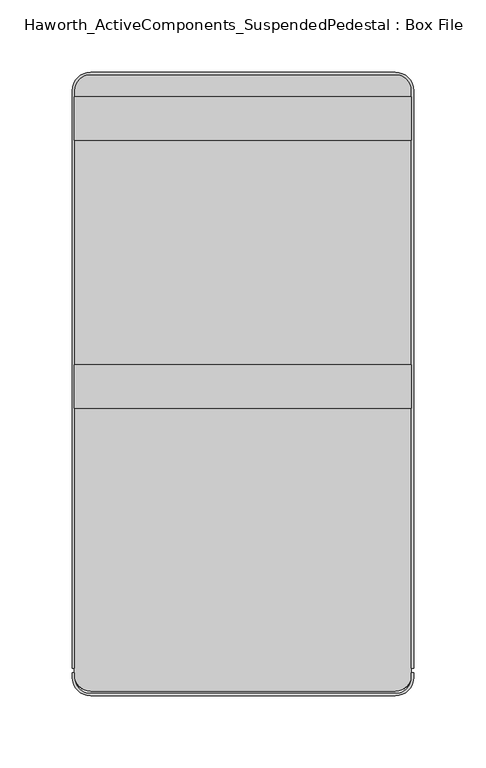
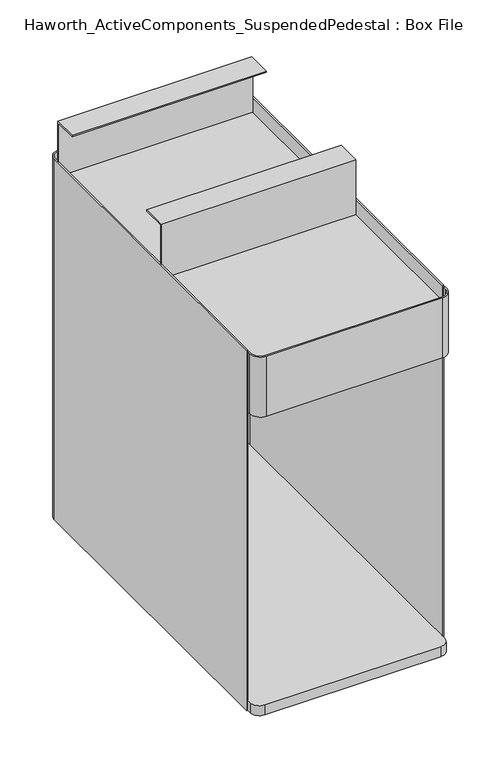
"""IFC4 building model written with IfcOpenShell, lengths in millimetres: furniture geometry, Haworth_ActiveComponents_SuspendedPedestal : Box File."""

import ifcopenshell
import ifcopenshell.guid

model = None  # the IFC model being written
_history = None  # IfcOwnerHistory: only IFC2X3 demands one
_inside = {}  # id of a spatial element -> (the spatial element, [elements in it])
_under = {}  # id of a project, library or spatial element -> (it, [spatial elements below it])
_declared = {}  # id of a project -> (the project, [libraries it declares])
_typed = {}  # id of a type object -> (the type object, [elements of that type])
_made_of = {}  # id of a material, layer set ... -> (it, [elements and type objects made of it])


def new_model(schema):
    """Start an empty IFC model of exactly this schema.

    Asked for "IFC4X3", IfcOpenShell would pick the latest addendum, in which some entities
    have other attributes; the version numbers below select the first issue.
    IFC2X3 requires an IfcOwnerHistory on every rooted entity: one is made here for all.
    """
    global model, _history
    if schema == "IFC4X3":
        model = ifcopenshell.file(schema_version=(4, 3, 0, 0))
    else:
        model = ifcopenshell.file(schema=schema)
    _inside.clear()
    _under.clear()
    _declared.clear()
    _typed.clear()
    _made_of.clear()
    _history = None
    if model.schema == "IFC2X3":
        org = make("IfcOrganization", Name="unknown")
        user = make(
            "IfcPersonAndOrganization",
            ThePerson=make("IfcPerson", FamilyName="unknown"),
            TheOrganization=org,
        )
        app = make(
            "IfcApplication",
            ApplicationDeveloper=org,
            Version="unknown",
            ApplicationFullName="unknown",
            ApplicationIdentifier="unknown",
        )
        _history = make(
            "IfcOwnerHistory",
            OwningUser=user,
            OwningApplication=app,
            ChangeAction="ADDED",
            CreationDate=0,
        )
    return model


def make(cls, **values):
    """One entity of the class cls with the attributes given. An attribute that is None is left unset."""
    return model.create_entity(
        cls, **{name: value for name, value in values.items() if value is not None}
    )


def rooted(cls, **values):
    """An entity with a GlobalId (a new one), such as an element, a storey or a relation."""
    return make(cls, GlobalId=ifcopenshell.guid.new(), OwnerHistory=_history, **values)


def si_unit(unit_type, name, prefix=None):
    """IfcSIUnit, for example si_unit("LENGTHUNIT", "METRE", prefix="MILLI")."""
    return make("IfcSIUnit", UnitType=unit_type, Prefix=prefix, Name=name)


def assignment(units):
    """IfcUnitAssignment: the units of a project."""
    return None if units is None else make("IfcUnitAssignment", Units=units)


def point(xyz):
    """IfcCartesianPoint."""
    return None if xyz is None else make("IfcCartesianPoint", Coordinates=xyz)


def direction(xyz):
    """IfcDirection."""
    return None if xyz is None else make("IfcDirection", DirectionRatios=xyz)


def frame(location, z_axis=None, x_axis=None):
    """IfcAxis2Placement3D, a coordinate frame: its origin and axes. An axis left out is left unset."""
    return make(
        "IfcAxis2Placement3D",
        Location=point(location),
        Axis=direction(z_axis),
        RefDirection=direction(x_axis),
    )


def frame_2d(location, x_axis=None):
    """IfcAxis2Placement2D, a coordinate frame in the plane: its origin and x axis."""
    return make(
        "IfcAxis2Placement2D", Location=point(location), RefDirection=direction(x_axis)
    )


def origin():
    """The frame at (0, 0, 0) with its axes left unset."""
    return frame((0.0, 0.0, 0.0))


def place(relative_to, where):
    """IfcLocalPlacement: puts the frame where relative to a parent placement (None: the world)."""
    return make(
        "IfcLocalPlacement", PlacementRelTo=relative_to, RelativePlacement=where
    )


def context(
    kind, dimensions, precision=None, world=None, true_north=None, identifier=None
):
    """IfcGeometricRepresentationContext, for example the 3D "Model" context."""
    return make(
        "IfcGeometricRepresentationContext",
        ContextIdentifier=identifier,
        ContextType=kind,
        CoordinateSpaceDimension=dimensions,
        Precision=precision,
        WorldCoordinateSystem=world,
        TrueNorth=true_north,
    )


def project(units=None, contexts=None):
    """IfcProject with its units and contexts."""
    return rooted(
        "IfcProject",
        Name="project",
        RepresentationContexts=contexts,
        UnitsInContext=assignment(units),
    )


def spatial(cls, under=None, at=None, **own):
    """A site, building, storey or space (cls), placed at a placement, below another one or the project."""
    s = rooted(cls, ObjectPlacement=at, **own)
    if under is not None:
        _under.setdefault(under.id(), (under, []))[1].append(s)
    return s


def polyline(points):
    """IfcPolyline through the points."""
    return make("IfcPolyline", Points=[point(p) for p in points])


def circle_curve(where, radius):
    """IfcCircle in the frame where."""
    return make("IfcCircle", Position=where, Radius=radius)


def trimmed(basis, trim1, trim2, sense, master):
    """IfcTrimmedCurve: the piece of a basis curve between two trims."""
    return make(
        "IfcTrimmedCurve",
        BasisCurve=basis,
        Trim1=trim1,
        Trim2=trim2,
        SenseAgreement=sense,
        MasterRepresentation=master,
    )


def segment(curve, same_sense, transition):
    """IfcCompositeCurveSegment."""
    return make(
        "IfcCompositeCurveSegment",
        Transition=transition,
        SameSense=same_sense,
        ParentCurve=curve,
    )


def composite_curve(segments, self_intersect=None):
    """IfcCompositeCurve: segments joined end to end."""
    return make("IfcCompositeCurve", Segments=segments, SelfIntersect=self_intersect)


def outline(outer, holes=None, kind="AREA"):
    """IfcArbitraryClosedProfileDef: a profile drawn as a closed curve; with holes, ...WithVoids."""
    if holes is None:
        return make("IfcArbitraryClosedProfileDef", ProfileType=kind, OuterCurve=outer)
    return make(
        "IfcArbitraryProfileDefWithVoids",
        ProfileType=kind,
        OuterCurve=outer,
        InnerCurves=holes,
    )


def extrude(swept, where, along, depth):
    """IfcExtrudedAreaSolid: the profile swept, set in the frame where, extruded along a direction by depth."""
    return make(
        "IfcExtrudedAreaSolid",
        SweptArea=swept,
        Position=where,
        ExtrudedDirection=direction(along),
        Depth=depth,
    )


def shape(context_of_items, identifier, shape_type, items):
    """IfcShapeRepresentation: the items that make up one representation, for example the "Body"."""
    return make(
        "IfcShapeRepresentation",
        ContextOfItems=context_of_items,
        RepresentationIdentifier=identifier,
        RepresentationType=shape_type,
        Items=items,
    )


def source(mapping_origin, context_of_items, identifier, shape_type, items):
    """IfcRepresentationMap: a shape defined once, which mapped items show again and again."""
    return make(
        "IfcRepresentationMap",
        MappingOrigin=mapping_origin,
        MappedRepresentation=shape(context_of_items, identifier, shape_type, items),
    )


def transform(
    local_origin,
    x_axis=None,
    y_axis=None,
    z_axis=None,
    scale=None,
    scale2=None,
    scale3=None,
    uniform=True,
):
    """IfcCartesianTransformationOperator3D, or its non-uniform kind. x_axis, y_axis, z_axis: its Axis1, 2, 3."""
    if uniform:
        return make(
            "IfcCartesianTransformationOperator3D",
            Axis1=direction(x_axis),
            Axis2=direction(y_axis),
            LocalOrigin=point(local_origin),
            Scale=scale,
            Axis3=direction(z_axis),
        )
    return make(
        "IfcCartesianTransformationOperator3DnonUniform",
        Axis1=direction(x_axis),
        Axis2=direction(y_axis),
        LocalOrigin=point(local_origin),
        Scale=scale,
        Axis3=direction(z_axis),
        Scale2=scale2,
        Scale3=scale3,
    )


def mapped(mapping_source, mapping_target):
    """IfcMappedItem: shows the shape of a source again, moved by a transform."""
    return make(
        "IfcMappedItem", MappingSource=mapping_source, MappingTarget=mapping_target
    )


def made_of(thing, what):
    """Note that an element or type object is made of a material, layer set ...; save() writes the relation."""
    if what is not None:
        _made_of.setdefault(what.id(), (what, []))[1].append(thing)
    return thing


def element(
    cls,
    number,
    at=None,
    inside=None,
    cuts=None,
    type_object=None,
    material=None,
    context=None,
    identifier="Body",
    shape_type=None,
    held_by="IfcProductDefinitionShape",
    body=None,
    shapes=None,
    **own,
):
    """One element of the class cls, such as IfcWall. Its Tag is "e" and its number.

    at: its placement. inside: the storey or other place that contains it. cuts: it is an
    opening in that element (IfcRelVoidsElement). A single representation is given by context,
    identifier, shape_type and body (its items); several are given by shapes. held_by: the class
    of the entity that holds the representations. save() writes the other relations.
    """
    e = rooted(cls, Tag="e%d" % number, ObjectPlacement=at, **own)
    if body is not None:
        shapes = [shape(context, identifier, shape_type, body)]
    if shapes is not None:
        e.Representation = make(held_by, Representations=shapes)
    if inside is not None:
        _inside.setdefault(inside.id(), (inside, []))[1].append(e)
    if cuts is not None:
        rooted(
            "IfcRelVoidsElement", RelatingBuildingElement=cuts, RelatedOpeningElement=e
        )
    if type_object is not None:
        _typed.setdefault(type_object.id(), (type_object, []))[1].append(e)
    return made_of(e, material)


def aggregate(whole, parts):
    """IfcRelAggregates: a whole, such as a stair, and the parts it consists of."""
    return rooted("IfcRelAggregates", RelatingObject=whole, RelatedObjects=parts)


def save(model, path):
    """Write the relations noted so far, then the file.

    IfcRelAggregates (storeys below a building ...), IfcRelContainedInSpatialStructure (elements
    in a storey), IfcRelDefinesByType, IfcRelAssociatesMaterial and IfcRelDeclares: one each for
    every whole, place, type object, material and project.
    """
    for whole, parts in _under.values():
        aggregate(whole, parts)
    for where, things in _inside.values():
        rooted(
            "IfcRelContainedInSpatialStructure",
            RelatedElements=things,
            RelatingStructure=where,
        )
    for kind, things in _typed.values():
        rooted("IfcRelDefinesByType", RelatedObjects=things, RelatingType=kind)
    for what, things in _made_of.values():
        rooted("IfcRelAssociatesMaterial", RelatedObjects=things, RelatingMaterial=what)
    for by, libraries in _declared.values():
        rooted("IfcRelDeclares", RelatingContext=by, RelatedDefinitions=libraries)
    model.write(path)


def haworth_activecomponents_suspendedpedestal_box_file_6033f123(model_context):
    return source(origin(), model_context, "Body", "SweptSolid", [
        extrude(outline(composite_curve([segment(trimmed(circle_curve(frame_2d((105.56875, -57.15)), 11.1125), [point((105.56875, -46.0375))], [point((116.68125, -57.15))], False, "CARTESIAN"), True, "CONTINUOUS"), segment(polyline([(116.68125, -57.15), (116.68125, -461.9625)]), True, "CONTINUOUS"), segment(trimmed(circle_curve(frame_2d((105.56875, -461.9625)), 11.1125), [point((116.68125, -461.9625))], [point((105.56875, -473.075))], False, "CARTESIAN"), True, "CONTINUOUS"), segment(polyline([(105.56875, -473.075), (-105.56875, -473.075)]), True, "CONTINUOUS"), segment(trimmed(circle_curve(frame_2d((-105.56875, -461.9625)), 11.1125), [point((-105.56875, -473.075))], [point((-116.68125, -461.9625))], False, "CARTESIAN"), True, "CONTINUOUS"), segment(polyline([(-116.68125, -461.9625), (-116.68125, -57.15)]), True, "CONTINUOUS"), segment(trimmed(circle_curve(frame_2d((-105.56875, -57.15)), 11.1125), [point((-116.68125, -57.15))], [point((-105.56875, -46.0375))], False, "CARTESIAN"), True, "CONTINUOUS"), segment(polyline([(-105.56875, -46.0375), (105.56875, -46.0375)]), True, "CONTINUOUS")], self_intersect=False)), frame((0.0, 0.0, 633.4124758), z_axis=(0.0, 0.0, 1.0), x_axis=(1.0, 0.0, 0.0)), (0.0, 0.0, 1.0), 1.5875),
        extrude(outline(composite_curve([segment(trimmed(circle_curve(frame_2d((105.56875, -57.15)), 11.1125), [point((105.56875, -46.0375))], [point((116.68125, -57.15))], False, "CARTESIAN"), True, "CONTINUOUS"), segment(polyline([(116.68125, -57.15), (116.68125, -461.9625)]), True, "CONTINUOUS"), segment(trimmed(circle_curve(frame_2d((105.56875, -461.9625)), 11.1125), [point((116.68125, -461.9625))], [point((105.56875, -473.075))], False, "CARTESIAN"), True, "CONTINUOUS"), segment(polyline([(105.56875, -473.075), (-105.56875, -473.075)]), True, "CONTINUOUS"), segment(trimmed(circle_curve(frame_2d((-105.56875, -461.9625)), 11.1125), [point((-105.56875, -473.075))], [point((-116.68125, -461.9625))], False, "CARTESIAN"), True, "CONTINUOUS"), segment(polyline([(-116.68125, -461.9625), (-116.68125, -57.15)]), True, "CONTINUOUS"), segment(trimmed(circle_curve(frame_2d((-105.56875, -57.15)), 11.1125), [point((-116.68125, -57.15))], [point((-105.56875, -46.0375))], False, "CARTESIAN"), True, "CONTINUOUS"), segment(polyline([(-105.56875, -46.0375), (105.56875, -46.0375)]), True, "CONTINUOUS")], self_intersect=False)), frame((0.0, 0.0, 577.85), z_axis=(0.0, 0.0, 1.0), x_axis=(1.0, 0.0, 0.0)), (0.0, 0.0, 1.0), 1.5875),
        extrude(outline(polyline([(-277.3171814, 634.9999758), (-277.3171814, 704.85), (-247.1546814, 704.85), (-247.1546814, 703.2625), (-275.7296814, 703.2625), (-275.7296814, 634.9999758), (-277.3171814, 634.9999758)])), frame((-116.68125, 0.0, 0.0), z_axis=(1.0, 0.0, 0.0), x_axis=(0.0, 1.0, 0.0)), (0.0, 0.0, 1.0), 233.3625),
        extrude(outline(polyline([(-61.4172056, 634.9999758), (-63.0047056, 634.9999758), (-63.0047056, 703.2625), (-91.5797056, 703.2625), (-91.5797056, 704.85), (-61.4172056, 704.85), (-61.4172056, 634.9999758)])), frame((-116.68125, 0.0, 0.0), z_axis=(1.0, 0.0, 0.0), x_axis=(0.0, 1.0, 0.0)), (0.0, 0.0, 1.0), 233.3625),
        extrude(outline(composite_curve([segment(polyline([(-118.26875, -463.55), (-118.26875, -460.375), (-116.68125, -460.375), (-116.68125, -463.55)]), True, "CONTINUOUS"), segment(trimmed(circle_curve(frame_2d((-105.56875, -463.55)), 11.1125), [point((-116.68125, -463.55))], [point((-105.56875, -474.6625))], True, "CARTESIAN"), True, "CONTINUOUS"), segment(polyline([(-105.56875, -474.6625), (105.56875, -474.6625)]), True, "CONTINUOUS"), segment(trimmed(circle_curve(frame_2d((105.56875, -463.55)), 11.1125), [point((105.56875, -474.6625))], [point((116.68125, -463.55))], True, "CARTESIAN"), True, "CONTINUOUS"), segment(polyline([(116.68125, -463.55), (116.68125, -460.375), (118.26875, -460.375), (118.26875, -463.55)]), True, "CONTINUOUS"), segment(trimmed(circle_curve(frame_2d((105.56875, -463.55)), 12.7), [point((118.26875, -463.55))], [point((105.56875, -476.25))], False, "CARTESIAN"), True, "CONTINUOUS"), segment(polyline([(105.56875, -476.25), (-105.56875, -476.25)]), True, "CONTINUOUS"), segment(trimmed(circle_curve(frame_2d((-105.56875, -463.55)), 12.7), [point((-105.56875, -476.25))], [point((-118.26875, -463.55))], False, "CARTESIAN"), True, "CONTINUOUS")], self_intersect=False)), frame((0.0, 0.0, 577.85), z_axis=(0.0, 0.0, 1.0), x_axis=(1.0, 0.0, 0.0)), (0.0, 0.0, 1.0), 76.2),
        extrude(outline(composite_curve([segment(trimmed(circle_curve(frame_2d((105.56875, -57.15)), 11.1125), [point((105.56875, -46.0375))], [point((116.68125, -57.15))], False, "CARTESIAN"), True, "CONTINUOUS"), segment(polyline([(116.68125, -57.15), (116.68125, -461.9625)]), True, "CONTINUOUS"), segment(trimmed(circle_curve(frame_2d((105.56875, -461.9625)), 11.1125), [point((116.68125, -461.9625))], [point((105.56875, -473.075))], False, "CARTESIAN"), True, "CONTINUOUS"), segment(polyline([(105.56875, -473.075), (-105.56875, -473.075)]), True, "CONTINUOUS"), segment(trimmed(circle_curve(frame_2d((-105.56875, -461.9625)), 11.1125), [point((-105.56875, -473.075))], [point((-116.68125, -461.9625))], False, "CARTESIAN"), True, "CONTINUOUS"), segment(polyline([(-116.68125, -461.9625), (-116.68125, -57.15)]), True, "CONTINUOUS"), segment(trimmed(circle_curve(frame_2d((-105.56875, -57.15)), 11.1125), [point((-116.68125, -57.15))], [point((-105.56875, -46.0375))], False, "CARTESIAN"), True, "CONTINUOUS"), segment(polyline([(-105.56875, -46.0375), (105.56875, -46.0375)]), True, "CONTINUOUS")], self_intersect=False)), frame((0.0, 0.0, 196.85), z_axis=(0.0, 0.0, 1.0), x_axis=(1.0, 0.0, 0.0)), (0.0, 0.0, 1.0), 12.7),
        extrude(outline(composite_curve([segment(trimmed(circle_curve(frame_2d((-105.56875, -57.15)), 12.7), [point((-118.26875, -57.15))], [point((-105.56875, -44.45))], False, "CARTESIAN"), True, "CONTINUOUS"), segment(polyline([(-105.56875, -44.45), (105.56875, -44.45)]), True, "CONTINUOUS"), segment(trimmed(circle_curve(frame_2d((105.56875, -57.15)), 12.7), [point((105.56875, -44.45))], [point((118.26875, -57.15))], False, "CARTESIAN"), True, "CONTINUOUS"), segment(polyline([(118.26875, -57.15), (118.26875, -457.2), (116.68125, -457.2), (116.68125, -57.15)]), True, "CONTINUOUS"), segment(trimmed(circle_curve(frame_2d((105.56875, -57.15)), 11.1125), [point((116.68125, -57.15))], [point((105.56875, -46.0375))], True, "CARTESIAN"), True, "CONTINUOUS"), segment(polyline([(105.56875, -46.0375), (-105.56875, -46.0375)]), True, "CONTINUOUS"), segment(trimmed(circle_curve(frame_2d((-105.56875, -57.15)), 11.1125), [point((-105.56875, -46.0375))], [point((-116.68125, -57.15))], True, "CARTESIAN"), True, "CONTINUOUS"), segment(polyline([(-116.68125, -57.15), (-116.68125, -457.2), (-118.26875, -457.2), (-118.26875, -57.15)]), True, "CONTINUOUS")], self_intersect=False)), frame((0.0, 0.0, 196.85), z_axis=(0.0, 0.0, 1.0), x_axis=(1.0, 0.0, 0.0)), (0.0, 0.0, 1.0), 457.2),
    ])


if __name__ == "__main__":
    model = new_model("IFC4")
    model_context = context("Model", 3, world=origin())
    ifc_project = project(units=[si_unit("LENGTHUNIT", "METRE", prefix="MILLI")], contexts=[model_context])
    site = spatial("IfcSite", under=ifc_project)
    building = spatial("IfcBuilding", under=site)
    placement = place(None, origin())
    haworth_activecomponents_suspendedpedestal_box_file_shape = haworth_activecomponents_suspendedpedestal_box_file_6033f123(model_context)
    element("IfcFurniture", 1, ObjectType="Haworth_ActiveComponents_SuspendedPedestal : Box File", at=placement, inside=building, context=model_context, shape_type="MappedRepresentation", body=[
        mapped(haworth_activecomponents_suspendedpedestal_box_file_shape, transform((0.0, 0.0, 0.0), x_axis=(1.0, 0.0, 0.0), y_axis=(0.0, 1.0, 0.0), z_axis=(0.0, 0.0, 1.0))),
    ])
    save(model, "model.ifc")
